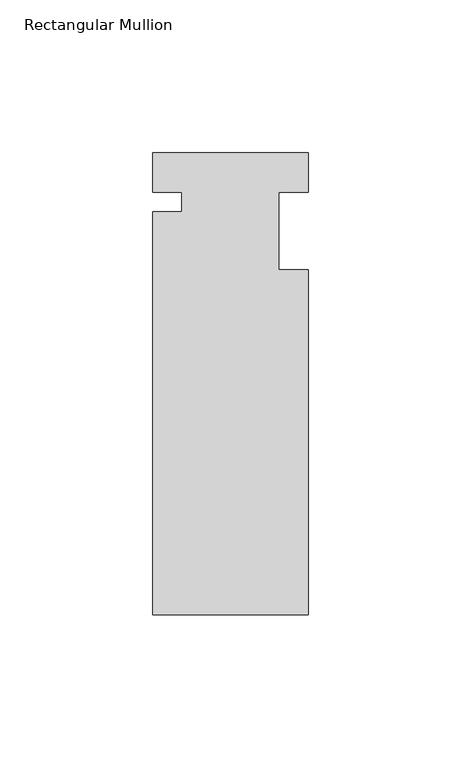
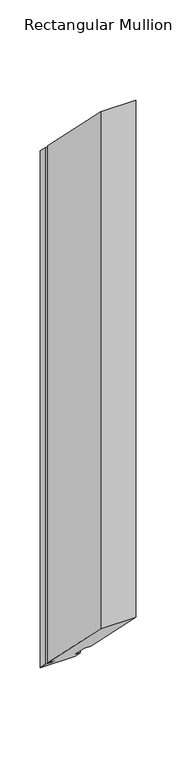
"""IFC4 building model written with IfcOpenShell, lengths in millimetres: member geometry, Rectangular Mullion."""

import ifcopenshell
import ifcopenshell.guid

model = None  # the IFC model being written
_history = None  # IfcOwnerHistory: only IFC2X3 demands one
_inside = {}  # id of a spatial element -> (the spatial element, [elements in it])
_under = {}  # id of a project, library or spatial element -> (it, [spatial elements below it])
_declared = {}  # id of a project -> (the project, [libraries it declares])
_typed = {}  # id of a type object -> (the type object, [elements of that type])
_made_of = {}  # id of a material, layer set ... -> (it, [elements and type objects made of it])


def new_model(schema):
    """Start an empty IFC model of exactly this schema.

    Asked for "IFC4X3", IfcOpenShell would pick the latest addendum, in which some entities
    have other attributes; the version numbers below select the first issue.
    IFC2X3 requires an IfcOwnerHistory on every rooted entity: one is made here for all.
    """
    global model, _history
    if schema == "IFC4X3":
        model = ifcopenshell.file(schema_version=(4, 3, 0, 0))
    else:
        model = ifcopenshell.file(schema=schema)
    _inside.clear()
    _under.clear()
    _declared.clear()
    _typed.clear()
    _made_of.clear()
    _history = None
    if model.schema == "IFC2X3":
        org = make("IfcOrganization", Name="unknown")
        user = make(
            "IfcPersonAndOrganization",
            ThePerson=make("IfcPerson", FamilyName="unknown"),
            TheOrganization=org,
        )
        app = make(
            "IfcApplication",
            ApplicationDeveloper=org,
            Version="unknown",
            ApplicationFullName="unknown",
            ApplicationIdentifier="unknown",
        )
        _history = make(
            "IfcOwnerHistory",
            OwningUser=user,
            OwningApplication=app,
            ChangeAction="ADDED",
            CreationDate=0,
        )
    return model


def make(cls, **values):
    """One entity of the class cls with the attributes given. An attribute that is None is left unset."""
    return model.create_entity(
        cls, **{name: value for name, value in values.items() if value is not None}
    )


def rooted(cls, **values):
    """An entity with a GlobalId (a new one), such as an element, a storey or a relation."""
    return make(cls, GlobalId=ifcopenshell.guid.new(), OwnerHistory=_history, **values)


def si_unit(unit_type, name, prefix=None):
    """IfcSIUnit, for example si_unit("LENGTHUNIT", "METRE", prefix="MILLI")."""
    return make("IfcSIUnit", UnitType=unit_type, Prefix=prefix, Name=name)


def assignment(units):
    """IfcUnitAssignment: the units of a project."""
    return None if units is None else make("IfcUnitAssignment", Units=units)


def point(xyz):
    """IfcCartesianPoint."""
    return None if xyz is None else make("IfcCartesianPoint", Coordinates=xyz)


def direction(xyz):
    """IfcDirection."""
    return None if xyz is None else make("IfcDirection", DirectionRatios=xyz)


def frame(location, z_axis=None, x_axis=None):
    """IfcAxis2Placement3D, a coordinate frame: its origin and axes. An axis left out is left unset."""
    return make(
        "IfcAxis2Placement3D",
        Location=point(location),
        Axis=direction(z_axis),
        RefDirection=direction(x_axis),
    )


def origin():
    """The frame at (0, 0, 0) with its axes left unset."""
    return frame((0.0, 0.0, 0.0))


def place(relative_to, where):
    """IfcLocalPlacement: puts the frame where relative to a parent placement (None: the world)."""
    return make(
        "IfcLocalPlacement", PlacementRelTo=relative_to, RelativePlacement=where
    )


def context(
    kind, dimensions, precision=None, world=None, true_north=None, identifier=None
):
    """IfcGeometricRepresentationContext, for example the 3D "Model" context."""
    return make(
        "IfcGeometricRepresentationContext",
        ContextIdentifier=identifier,
        ContextType=kind,
        CoordinateSpaceDimension=dimensions,
        Precision=precision,
        WorldCoordinateSystem=world,
        TrueNorth=true_north,
    )


def project(units=None, contexts=None):
    """IfcProject with its units and contexts."""
    return rooted(
        "IfcProject",
        Name="project",
        RepresentationContexts=contexts,
        UnitsInContext=assignment(units),
    )


def spatial(cls, under=None, at=None, **own):
    """A site, building, storey or space (cls), placed at a placement, below another one or the project."""
    s = rooted(cls, ObjectPlacement=at, **own)
    if under is not None:
        _under.setdefault(under.id(), (under, []))[1].append(s)
    return s


def faces_of(points, faces, orient=None, outer=None):
    """IfcFace entities. A face is a list of loops; a loop is a list of indices into points, from 0.

    orient and outer hold one flag for each loop. By default every Orientation is true, the
    first loop of a face is its IfcFaceOuterBound and the others are IfcFaceBound.
    """
    made = []
    for i, loops in enumerate(faces):
        bounds = []
        for j, loop in enumerate(loops):
            is_outer = j == 0 if outer is None else outer[i][j]
            bounds.append(
                make(
                    "IfcFaceOuterBound" if is_outer else "IfcFaceBound",
                    Bound=make("IfcPolyLoop", Polygon=[points[k] for k in loop]),
                    Orientation=True if orient is None else orient[i][j],
                )
            )
        made.append(make("IfcFace", Bounds=bounds))
    return made


def faceted_brep(points, faces, orient=None, outer=None, voids=None):
    """IfcFacetedBrep: a solid bounded by flat faces; with voids (closed shells), ...WithVoids."""
    shared = [point(p) for p in points]
    hull = make("IfcClosedShell", CfsFaces=faces_of(shared, faces, orient, outer))
    if voids is None:
        return make("IfcFacetedBrep", Outer=hull)
    return make(
        "IfcFacetedBrepWithVoids",
        Outer=hull,
        Voids=[
            make(cls, CfsFaces=faces_of(shared, fs, o, b)) for cls, fs, o, b in voids
        ],
    )


def shape(context_of_items, identifier, shape_type, items):
    """IfcShapeRepresentation: the items that make up one representation, for example the "Body"."""
    return make(
        "IfcShapeRepresentation",
        ContextOfItems=context_of_items,
        RepresentationIdentifier=identifier,
        RepresentationType=shape_type,
        Items=items,
    )


def source(mapping_origin, context_of_items, identifier, shape_type, items):
    """IfcRepresentationMap: a shape defined once, which mapped items show again and again."""
    return make(
        "IfcRepresentationMap",
        MappingOrigin=mapping_origin,
        MappedRepresentation=shape(context_of_items, identifier, shape_type, items),
    )


def transform(
    local_origin,
    x_axis=None,
    y_axis=None,
    z_axis=None,
    scale=None,
    scale2=None,
    scale3=None,
    uniform=True,
):
    """IfcCartesianTransformationOperator3D, or its non-uniform kind. x_axis, y_axis, z_axis: its Axis1, 2, 3."""
    if uniform:
        return make(
            "IfcCartesianTransformationOperator3D",
            Axis1=direction(x_axis),
            Axis2=direction(y_axis),
            LocalOrigin=point(local_origin),
            Scale=scale,
            Axis3=direction(z_axis),
        )
    return make(
        "IfcCartesianTransformationOperator3DnonUniform",
        Axis1=direction(x_axis),
        Axis2=direction(y_axis),
        LocalOrigin=point(local_origin),
        Scale=scale,
        Axis3=direction(z_axis),
        Scale2=scale2,
        Scale3=scale3,
    )


def mapped(mapping_source, mapping_target):
    """IfcMappedItem: shows the shape of a source again, moved by a transform."""
    return make(
        "IfcMappedItem", MappingSource=mapping_source, MappingTarget=mapping_target
    )


def made_of(thing, what):
    """Note that an element or type object is made of a material, layer set ...; save() writes the relation."""
    if what is not None:
        _made_of.setdefault(what.id(), (what, []))[1].append(thing)
    return thing


def element(
    cls,
    number,
    at=None,
    inside=None,
    cuts=None,
    type_object=None,
    material=None,
    context=None,
    identifier="Body",
    shape_type=None,
    held_by="IfcProductDefinitionShape",
    body=None,
    shapes=None,
    **own,
):
    """One element of the class cls, such as IfcWall. Its Tag is "e" and its number.

    at: its placement. inside: the storey or other place that contains it. cuts: it is an
    opening in that element (IfcRelVoidsElement). A single representation is given by context,
    identifier, shape_type and body (its items); several are given by shapes. held_by: the class
    of the entity that holds the representations. save() writes the other relations.
    """
    e = rooted(cls, Tag="e%d" % number, ObjectPlacement=at, **own)
    if body is not None:
        shapes = [shape(context, identifier, shape_type, body)]
    if shapes is not None:
        e.Representation = make(held_by, Representations=shapes)
    if inside is not None:
        _inside.setdefault(inside.id(), (inside, []))[1].append(e)
    if cuts is not None:
        rooted(
            "IfcRelVoidsElement", RelatingBuildingElement=cuts, RelatedOpeningElement=e
        )
    if type_object is not None:
        _typed.setdefault(type_object.id(), (type_object, []))[1].append(e)
    return made_of(e, material)


def aggregate(whole, parts):
    """IfcRelAggregates: a whole, such as a stair, and the parts it consists of."""
    return rooted("IfcRelAggregates", RelatingObject=whole, RelatedObjects=parts)


def save(model, path):
    """Write the relations noted so far, then the file.

    IfcRelAggregates (storeys below a building ...), IfcRelContainedInSpatialStructure (elements
    in a storey), IfcRelDefinesByType, IfcRelAssociatesMaterial and IfcRelDeclares: one each for
    every whole, place, type object, material and project.
    """
    for whole, parts in _under.values():
        aggregate(whole, parts)
    for where, things in _inside.values():
        rooted(
            "IfcRelContainedInSpatialStructure",
            RelatedElements=things,
            RelatingStructure=where,
        )
    for kind, things in _typed.values():
        rooted("IfcRelDefinesByType", RelatedObjects=things, RelatingType=kind)
    for what, things in _made_of.values():
        rooted("IfcRelAssociatesMaterial", RelatedObjects=things, RelatingMaterial=what)
    for by, libraries in _declared.values():
        rooted("IfcRelDeclares", RelatingContext=by, RelatedDefinitions=libraries)
    model.write(path)


def rectangular_mullion_b72154c2(model_context):
    return source(origin(), model_context, "Body", "Brep", [
        faceted_brep([(-25.4, 0.0, 0.0), (-25.4, 12.88415, -12.88415), (-25.4, 12.88415, -800.28415), (-25.4, 0.0, -787.4), (-15.875, 0.0, 0.0), (-15.875, 0.0, -787.4), (-15.875, -6.35, 6.35), (-15.875, -6.35, -781.05), (-25.4, -6.35, 6.35), (-25.4, -6.35, -781.05), (-25.4, -138.29665, 138.29665), (-25.4, -138.29665, -649.10335), (25.4, -138.29665, 138.29665), (25.4, -138.29665, -649.10335), (25.4, -25.4, 25.4), (25.4, -25.4, -762.0), (15.875, -25.4, 25.4), (15.875, -25.4, -762.0), (15.875, 0.0, 0.0), (15.875, 0.0, -787.4), (25.4, 0.0, 0.0), (25.4, 0.0, -787.4), (25.4, 12.88415, -12.88415), (25.4, 12.88415, -800.28415)], [[[0, 1, 2, 3]], [[4, 0, 3, 5]], [[6, 4, 5, 7]], [[8, 6, 7, 9]], [[10, 8, 9, 11]], [[12, 10, 11, 13]], [[14, 12, 13, 15]], [[16, 14, 15, 17]], [[18, 16, 17, 19]], [[20, 18, 19, 21]], [[22, 20, 21, 23]], [[1, 22, 23, 2]], [[1, 0, 4, 6, 8, 10, 12, 14, 16, 18, 20, 22]], [[2, 23, 21, 19, 17, 15, 13, 11, 9, 7, 5, 3]]]),
    ])


if __name__ == "__main__":
    model = new_model("IFC4")
    model_context = context("Model", 3, world=origin())
    ifc_project = project(units=[si_unit("LENGTHUNIT", "METRE", prefix="MILLI")], contexts=[model_context])
    site = spatial("IfcSite", under=ifc_project)
    building = spatial("IfcBuilding", under=site)
    placement = place(None, origin())
    rectangular_mullion_shape = rectangular_mullion_b72154c2(model_context)
    element("IfcMember", 1, ObjectType="Rectangular Mullion", at=placement, inside=building, context=model_context, shape_type="MappedRepresentation", body=[
        mapped(rectangular_mullion_shape, transform((0.0, 0.0, 0.0), x_axis=(1.0, 0.0, 0.0), y_axis=(0.0, 1.0, 0.0), z_axis=(0.0, 0.0, 1.0))),
    ])
    save(model, "model.ifc")
